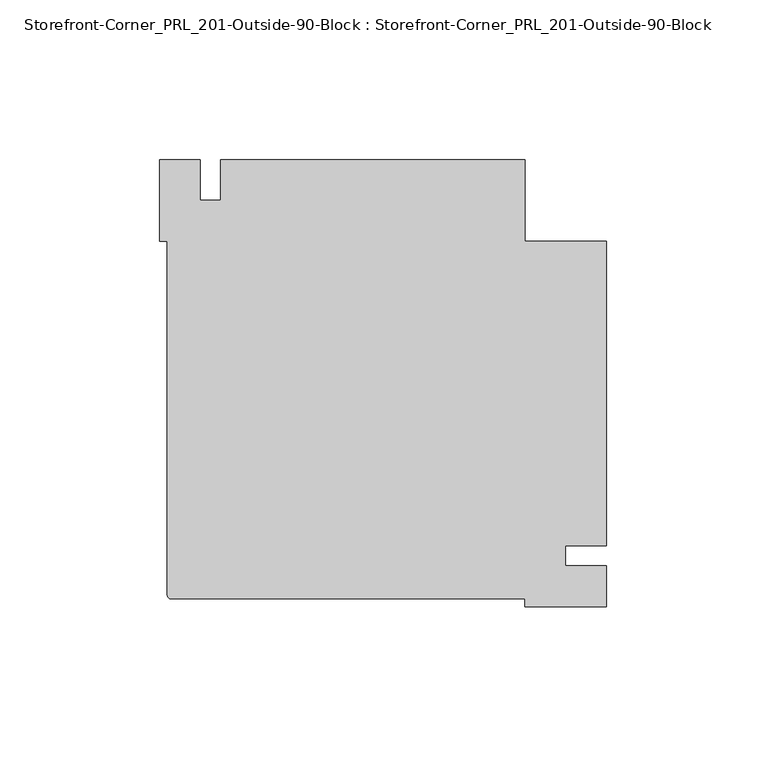
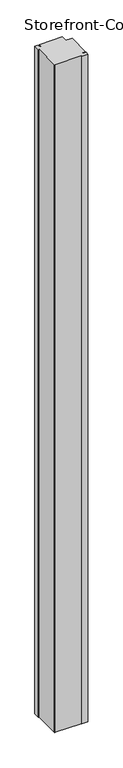
"""IFC4 building model written with IfcOpenShell, lengths in millimetres: proxy geometry, Storefront-Corner_PRL_201-Outside-90-Block : Storefront-Corner_PRL_201-Outside-90-Block."""

from ifc_helpers import new_model, si_unit, point, frame_2d, origin, origin_with_axes, place, context, project, spatial, polyline, circle_curve, trimmed, segment, composite_curve, outline, extrude, source, transform, mapped, element, save


def storefront_corner_prl_201_outside_90_block_storefront_corner_960bbcc1(model_context):
    return source(origin(), model_context, "Body", "SweptSolid", [
        extrude(outline(composite_curve([segment(polyline([(123.825, 3.175), (111.125, 3.175), (111.125, -3.175), (123.825, -3.175), (123.825, -15.875), (98.425, -15.875), (98.425, -13.49375), (-12.303125, -13.49375)]), True, "CONTINUOUS"), segment(trimmed(circle_curve(frame_2d((-12.303125, -12.303125)), 1.190625), [point((-12.303125, -13.49375))], [point((-13.49375, -12.303125))], False, "CARTESIAN"), True, "CONTINUOUS"), segment(polyline([(-13.49375, -12.303125), (-13.49375, 98.425), (-15.875, 98.425), (-15.875, 123.825), (-3.175, 123.825), (-3.175, 111.125), (3.175, 111.125), (3.175, 123.825), (98.425, 123.825), (98.425, 98.425), (123.825, 98.425), (123.825, 3.175)]), True, "CONTINUOUS")], self_intersect=False)), origin_with_axes(), (0.0, 0.0, 1.0), 2933.7),
    ])


if __name__ == "__main__":
    model = new_model("IFC4")
    model_context = context("Model", 3, world=origin())
    ifc_project = project(units=[si_unit("LENGTHUNIT", "METRE", prefix="MILLI")], contexts=[model_context])
    site = spatial("IfcSite", under=ifc_project)
    building = spatial("IfcBuilding", under=site)
    placement = place(None, origin())
    storefront_corner_prl_201_outside_90_block_storefront_corner_shape = storefront_corner_prl_201_outside_90_block_storefront_corner_960bbcc1(model_context)
    element("IfcBuildingElementProxy", 1, Name="Storefront-Corner_PRL_201-Outside-90-Block : Storefront-Corner_PRL_201-Outside-90-Block", ObjectType="Storefront-Corner_PRL_201-Outside-90-Block : Storefront-Corner_PRL_201-Outside-90-Block", at=placement, inside=building, context=model_context, shape_type="MappedRepresentation", body=[
        mapped(storefront_corner_prl_201_outside_90_block_storefront_corner_shape, transform((0.0, 0.0, 0.0), x_axis=(1.0, 0.0, 0.0), y_axis=(0.0, 1.0, 0.0), z_axis=(0.0, 0.0, 1.0))),
    ])
    save(model, "model.ifc")
